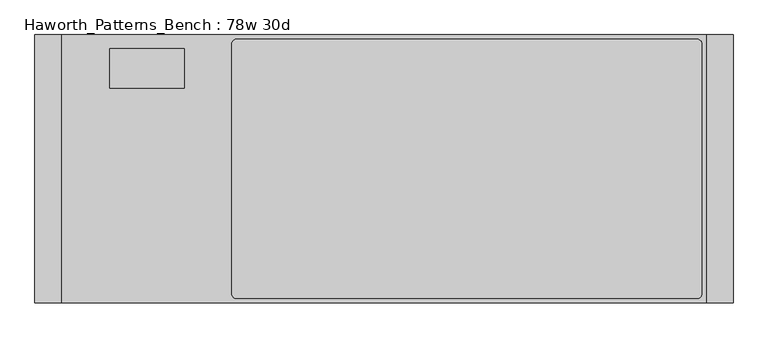
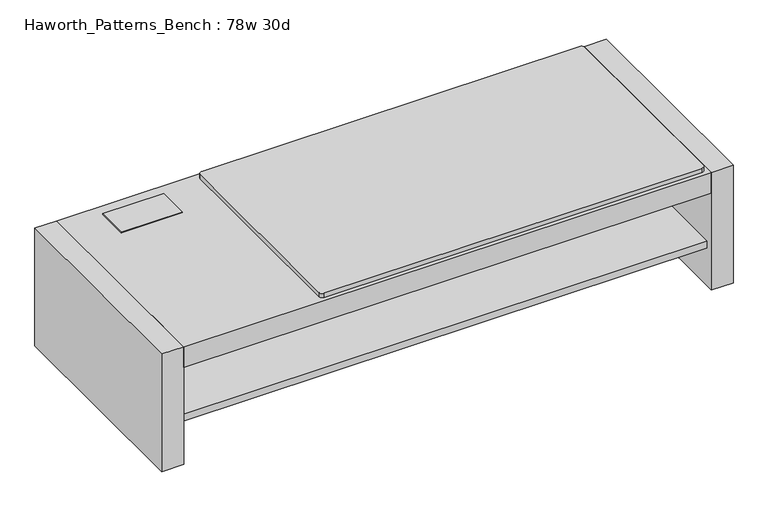
"""IFC4 building model written with IfcOpenShell, lengths in millimetres: furniture geometry, Haworth_Patterns_Bench : 78w 30d."""

import ifcopenshell
import ifcopenshell.guid

model = None  # the IFC model being written
_history = None  # IfcOwnerHistory: only IFC2X3 demands one
_inside = {}  # id of a spatial element -> (the spatial element, [elements in it])
_under = {}  # id of a project, library or spatial element -> (it, [spatial elements below it])
_declared = {}  # id of a project -> (the project, [libraries it declares])
_typed = {}  # id of a type object -> (the type object, [elements of that type])
_made_of = {}  # id of a material, layer set ... -> (it, [elements and type objects made of it])


def new_model(schema):
    """Start an empty IFC model of exactly this schema.

    Asked for "IFC4X3", IfcOpenShell would pick the latest addendum, in which some entities
    have other attributes; the version numbers below select the first issue.
    IFC2X3 requires an IfcOwnerHistory on every rooted entity: one is made here for all.
    """
    global model, _history
    if schema == "IFC4X3":
        model = ifcopenshell.file(schema_version=(4, 3, 0, 0))
    else:
        model = ifcopenshell.file(schema=schema)
    _inside.clear()
    _under.clear()
    _declared.clear()
    _typed.clear()
    _made_of.clear()
    _history = None
    if model.schema == "IFC2X3":
        org = make("IfcOrganization", Name="unknown")
        user = make(
            "IfcPersonAndOrganization",
            ThePerson=make("IfcPerson", FamilyName="unknown"),
            TheOrganization=org,
        )
        app = make(
            "IfcApplication",
            ApplicationDeveloper=org,
            Version="unknown",
            ApplicationFullName="unknown",
            ApplicationIdentifier="unknown",
        )
        _history = make(
            "IfcOwnerHistory",
            OwningUser=user,
            OwningApplication=app,
            ChangeAction="ADDED",
            CreationDate=0,
        )
    return model


def make(cls, **values):
    """One entity of the class cls with the attributes given. An attribute that is None is left unset."""
    return model.create_entity(
        cls, **{name: value for name, value in values.items() if value is not None}
    )


def rooted(cls, **values):
    """An entity with a GlobalId (a new one), such as an element, a storey or a relation."""
    return make(cls, GlobalId=ifcopenshell.guid.new(), OwnerHistory=_history, **values)


def si_unit(unit_type, name, prefix=None):
    """IfcSIUnit, for example si_unit("LENGTHUNIT", "METRE", prefix="MILLI")."""
    return make("IfcSIUnit", UnitType=unit_type, Prefix=prefix, Name=name)


def assignment(units):
    """IfcUnitAssignment: the units of a project."""
    return None if units is None else make("IfcUnitAssignment", Units=units)


def point(xyz):
    """IfcCartesianPoint."""
    return None if xyz is None else make("IfcCartesianPoint", Coordinates=xyz)


def direction(xyz):
    """IfcDirection."""
    return None if xyz is None else make("IfcDirection", DirectionRatios=xyz)


def frame(location, z_axis=None, x_axis=None):
    """IfcAxis2Placement3D, a coordinate frame: its origin and axes. An axis left out is left unset."""
    return make(
        "IfcAxis2Placement3D",
        Location=point(location),
        Axis=direction(z_axis),
        RefDirection=direction(x_axis),
    )


def frame_2d(location, x_axis=None):
    """IfcAxis2Placement2D, a coordinate frame in the plane: its origin and x axis."""
    return make(
        "IfcAxis2Placement2D", Location=point(location), RefDirection=direction(x_axis)
    )


def origin():
    """The frame at (0, 0, 0) with its axes left unset."""
    return frame((0.0, 0.0, 0.0))


def origin_with_axes():
    """The frame at (0, 0, 0) with the z axis (0, 0, 1) and the x axis (1, 0, 0) written out."""
    return frame((0.0, 0.0, 0.0), z_axis=(0.0, 0.0, 1.0), x_axis=(1.0, 0.0, 0.0))


def place(relative_to, where):
    """IfcLocalPlacement: puts the frame where relative to a parent placement (None: the world)."""
    return make(
        "IfcLocalPlacement", PlacementRelTo=relative_to, RelativePlacement=where
    )


def context(
    kind, dimensions, precision=None, world=None, true_north=None, identifier=None
):
    """IfcGeometricRepresentationContext, for example the 3D "Model" context."""
    return make(
        "IfcGeometricRepresentationContext",
        ContextIdentifier=identifier,
        ContextType=kind,
        CoordinateSpaceDimension=dimensions,
        Precision=precision,
        WorldCoordinateSystem=world,
        TrueNorth=true_north,
    )


def project(units=None, contexts=None):
    """IfcProject with its units and contexts."""
    return rooted(
        "IfcProject",
        Name="project",
        RepresentationContexts=contexts,
        UnitsInContext=assignment(units),
    )


def spatial(cls, under=None, at=None, **own):
    """A site, building, storey or space (cls), placed at a placement, below another one or the project."""
    s = rooted(cls, ObjectPlacement=at, **own)
    if under is not None:
        _under.setdefault(under.id(), (under, []))[1].append(s)
    return s


def polyline(points):
    """IfcPolyline through the points."""
    return make("IfcPolyline", Points=[point(p) for p in points])


def circle_curve(where, radius):
    """IfcCircle in the frame where."""
    return make("IfcCircle", Position=where, Radius=radius)


def trimmed(basis, trim1, trim2, sense, master):
    """IfcTrimmedCurve: the piece of a basis curve between two trims."""
    return make(
        "IfcTrimmedCurve",
        BasisCurve=basis,
        Trim1=trim1,
        Trim2=trim2,
        SenseAgreement=sense,
        MasterRepresentation=master,
    )


def segment(curve, same_sense, transition):
    """IfcCompositeCurveSegment."""
    return make(
        "IfcCompositeCurveSegment",
        Transition=transition,
        SameSense=same_sense,
        ParentCurve=curve,
    )


def composite_curve(segments, self_intersect=None):
    """IfcCompositeCurve: segments joined end to end."""
    return make("IfcCompositeCurve", Segments=segments, SelfIntersect=self_intersect)


def outline(outer, holes=None, kind="AREA"):
    """IfcArbitraryClosedProfileDef: a profile drawn as a closed curve; with holes, ...WithVoids."""
    if holes is None:
        return make("IfcArbitraryClosedProfileDef", ProfileType=kind, OuterCurve=outer)
    return make(
        "IfcArbitraryProfileDefWithVoids",
        ProfileType=kind,
        OuterCurve=outer,
        InnerCurves=holes,
    )


def extrude(swept, where, along, depth):
    """IfcExtrudedAreaSolid: the profile swept, set in the frame where, extruded along a direction by depth."""
    return make(
        "IfcExtrudedAreaSolid",
        SweptArea=swept,
        Position=where,
        ExtrudedDirection=direction(along),
        Depth=depth,
    )


def faces_of(points, faces, orient=None, outer=None):
    """IfcFace entities. A face is a list of loops; a loop is a list of indices into points, from 0.

    orient and outer hold one flag for each loop. By default every Orientation is true, the
    first loop of a face is its IfcFaceOuterBound and the others are IfcFaceBound.
    """
    made = []
    for i, loops in enumerate(faces):
        bounds = []
        for j, loop in enumerate(loops):
            is_outer = j == 0 if outer is None else outer[i][j]
            bounds.append(
                make(
                    "IfcFaceOuterBound" if is_outer else "IfcFaceBound",
                    Bound=make("IfcPolyLoop", Polygon=[points[k] for k in loop]),
                    Orientation=True if orient is None else orient[i][j],
                )
            )
        made.append(make("IfcFace", Bounds=bounds))
    return made


def faceted_brep(points, faces, orient=None, outer=None, voids=None):
    """IfcFacetedBrep: a solid bounded by flat faces; with voids (closed shells), ...WithVoids."""
    shared = [point(p) for p in points]
    hull = make("IfcClosedShell", CfsFaces=faces_of(shared, faces, orient, outer))
    if voids is None:
        return make("IfcFacetedBrep", Outer=hull)
    return make(
        "IfcFacetedBrepWithVoids",
        Outer=hull,
        Voids=[
            make(cls, CfsFaces=faces_of(shared, fs, o, b)) for cls, fs, o, b in voids
        ],
    )


def shape(context_of_items, identifier, shape_type, items):
    """IfcShapeRepresentation: the items that make up one representation, for example the "Body"."""
    return make(
        "IfcShapeRepresentation",
        ContextOfItems=context_of_items,
        RepresentationIdentifier=identifier,
        RepresentationType=shape_type,
        Items=items,
    )


def source(mapping_origin, context_of_items, identifier, shape_type, items):
    """IfcRepresentationMap: a shape defined once, which mapped items show again and again."""
    return make(
        "IfcRepresentationMap",
        MappingOrigin=mapping_origin,
        MappedRepresentation=shape(context_of_items, identifier, shape_type, items),
    )


def transform(
    local_origin,
    x_axis=None,
    y_axis=None,
    z_axis=None,
    scale=None,
    scale2=None,
    scale3=None,
    uniform=True,
):
    """IfcCartesianTransformationOperator3D, or its non-uniform kind. x_axis, y_axis, z_axis: its Axis1, 2, 3."""
    if uniform:
        return make(
            "IfcCartesianTransformationOperator3D",
            Axis1=direction(x_axis),
            Axis2=direction(y_axis),
            LocalOrigin=point(local_origin),
            Scale=scale,
            Axis3=direction(z_axis),
        )
    return make(
        "IfcCartesianTransformationOperator3DnonUniform",
        Axis1=direction(x_axis),
        Axis2=direction(y_axis),
        LocalOrigin=point(local_origin),
        Scale=scale,
        Axis3=direction(z_axis),
        Scale2=scale2,
        Scale3=scale3,
    )


def mapped(mapping_source, mapping_target):
    """IfcMappedItem: shows the shape of a source again, moved by a transform."""
    return make(
        "IfcMappedItem", MappingSource=mapping_source, MappingTarget=mapping_target
    )


def made_of(thing, what):
    """Note that an element or type object is made of a material, layer set ...; save() writes the relation."""
    if what is not None:
        _made_of.setdefault(what.id(), (what, []))[1].append(thing)
    return thing


def element(
    cls,
    number,
    at=None,
    inside=None,
    cuts=None,
    type_object=None,
    material=None,
    context=None,
    identifier="Body",
    shape_type=None,
    held_by="IfcProductDefinitionShape",
    body=None,
    shapes=None,
    **own,
):
    """One element of the class cls, such as IfcWall. Its Tag is "e" and its number.

    at: its placement. inside: the storey or other place that contains it. cuts: it is an
    opening in that element (IfcRelVoidsElement). A single representation is given by context,
    identifier, shape_type and body (its items); several are given by shapes. held_by: the class
    of the entity that holds the representations. save() writes the other relations.
    """
    e = rooted(cls, Tag="e%d" % number, ObjectPlacement=at, **own)
    if body is not None:
        shapes = [shape(context, identifier, shape_type, body)]
    if shapes is not None:
        e.Representation = make(held_by, Representations=shapes)
    if inside is not None:
        _inside.setdefault(inside.id(), (inside, []))[1].append(e)
    if cuts is not None:
        rooted(
            "IfcRelVoidsElement", RelatingBuildingElement=cuts, RelatedOpeningElement=e
        )
    if type_object is not None:
        _typed.setdefault(type_object.id(), (type_object, []))[1].append(e)
    return made_of(e, material)


def aggregate(whole, parts):
    """IfcRelAggregates: a whole, such as a stair, and the parts it consists of."""
    return rooted("IfcRelAggregates", RelatingObject=whole, RelatedObjects=parts)


def save(model, path):
    """Write the relations noted so far, then the file.

    IfcRelAggregates (storeys below a building ...), IfcRelContainedInSpatialStructure (elements
    in a storey), IfcRelDefinesByType, IfcRelAssociatesMaterial and IfcRelDeclares: one each for
    every whole, place, type object, material and project.
    """
    for whole, parts in _under.values():
        aggregate(whole, parts)
    for where, things in _inside.values():
        rooted(
            "IfcRelContainedInSpatialStructure",
            RelatedElements=things,
            RelatingStructure=where,
        )
    for kind, things in _typed.values():
        rooted("IfcRelDefinesByType", RelatedObjects=things, RelatingType=kind)
    for what, things in _made_of.values():
        rooted("IfcRelAssociatesMaterial", RelatedObjects=things, RelatingMaterial=what)
    for by, libraries in _declared.values():
        rooted("IfcRelDeclares", RelatingContext=by, RelatedDefinitions=libraries)
    model.write(path)


def haworth_patterns_bench_78w_30d_a646ddd4(model_context):
    return source(origin(), model_context, "Body", "SolidModel", [
        extrude(outline(composite_curve([segment(trimmed(circle_curve(frame_2d((889.0, -25.4)), 12.7), [point((889.0, -12.7))], [point((901.7, -25.4))], False, "CARTESIAN"), True, "CONTINUOUS"), segment(polyline([(901.7, -25.4), (901.7, -736.6)]), True, "CONTINUOUS"), segment(trimmed(circle_curve(frame_2d((889.0, -736.6)), 12.7), [point((901.7, -736.6))], [point((889.0, -749.3))], False, "CARTESIAN"), True, "CONTINUOUS"), segment(polyline([(889.0, -749.3), (-419.1, -749.3)]), True, "CONTINUOUS"), segment(trimmed(circle_curve(frame_2d((-419.1, -736.6)), 12.7), [point((-419.1, -749.3))], [point((-431.8, -736.6))], False, "CARTESIAN"), True, "CONTINUOUS"), segment(polyline([(-431.8, -736.6), (-431.8, -25.4)]), True, "CONTINUOUS"), segment(trimmed(circle_curve(frame_2d((-419.1, -25.4)), 12.7), [point((-431.8, -25.4))], [point((-419.1, -12.7))], False, "CARTESIAN"), True, "CONTINUOUS"), segment(polyline([(-419.1, -12.7), (889.0, -12.7)]), True, "CONTINUOUS")], self_intersect=False)), frame((0.0, 0.0, 431.8), z_axis=(0.0, 0.0, 1.0), x_axis=(1.0, 0.0, 0.0)), (0.0, 0.0, 1.0), 15.875),
        faceted_brep([(-567.53125, -39.6875, 434.975), (-778.66875, -39.6875, 434.975), (-778.66875, -150.8125, 434.975), (-567.53125, -150.8125, 434.975), (-567.53125, -39.6875, 431.8), (-567.53125, -150.8125, 431.8), (-778.66875, -150.8125, 431.8), (-778.66875, -39.6875, 431.8), (-570.70625, -44.45, 431.8), (-775.49375, -44.45, 431.8), (-775.49375, -146.05, 431.8), (-570.70625, -146.05, 431.8), (-570.70625, -44.45, 361.95), (-570.70625, -146.05, 361.95), (-775.49375, -146.05, 361.95), (-775.49375, -44.45, 361.95)], [[[0, 1, 2, 3]], [[4, 5, 6, 7], [8, 9, 10, 11]], [[1, 0, 4, 7]], [[2, 1, 7, 6]], [[3, 2, 6, 5]], [[0, 3, 5, 4]], [[12, 13, 14, 15]], [[12, 15, 9, 8]], [[15, 14, 10, 9]], [[14, 13, 11, 10]], [[13, 12, 8, 11]]]),
        extrude(outline(polyline([(914.4, 0.0), (914.4, -762.0), (-914.4, -762.0), (-914.4, 0.0), (914.4, 0.0)])), frame((0.0, 0.0, 355.6), z_axis=(0.0, 0.0, 1.0), x_axis=(1.0, 0.0, 0.0)), (0.0, 0.0, 1.0), 76.2),
        extrude(outline(polyline([(914.4, -25.4), (914.4, -736.6), (-914.4, -736.6), (-914.4, -25.4), (914.4, -25.4)])), frame((0.0, 0.0, 139.7), z_axis=(0.0, 0.0, 1.0), x_axis=(1.0, 0.0, 0.0)), (0.0, 0.0, 1.0), 25.4),
        extrude(outline(polyline([(914.4, -355.6), (914.4, -406.4), (-914.4, -406.4), (-914.4, -355.6), (914.4, -355.6)])), frame((0.0, 0.0, 165.1), z_axis=(0.0, 0.0, 1.0), x_axis=(1.0, 0.0, 0.0)), (0.0, 0.0, 1.0), 190.5),
        extrude(outline(polyline([(914.4, 0.0), (990.6, 0.0), (990.6, -762.0), (914.4, -762.0), (914.4, 0.0)])), origin_with_axes(), (0.0, 0.0, 1.0), 431.8),
        extrude(outline(polyline([(-914.4, 0.0), (-914.4, -762.0), (-990.6, -762.0), (-990.6, 0.0), (-914.4, 0.0)])), origin_with_axes(), (0.0, 0.0, 1.0), 431.8),
    ])


if __name__ == "__main__":
    model = new_model("IFC4")
    model_context = context("Model", 3, world=origin())
    ifc_project = project(units=[si_unit("LENGTHUNIT", "METRE", prefix="MILLI")], contexts=[model_context])
    site = spatial("IfcSite", under=ifc_project)
    building = spatial("IfcBuilding", under=site)
    placement = place(None, origin())
    haworth_patterns_bench_78w_30d_shape = haworth_patterns_bench_78w_30d_a646ddd4(model_context)
    element("IfcFurniture", 1, ObjectType="Haworth_Patterns_Bench : 78w 30d", at=placement, inside=building, context=model_context, shape_type="MappedRepresentation", body=[
        mapped(haworth_patterns_bench_78w_30d_shape, transform((0.0, 0.0, 0.0), x_axis=(1.0, 0.0, 0.0), y_axis=(0.0, 1.0, 0.0), z_axis=(0.0, 0.0, 1.0))),
    ])
    save(model, "model.ifc")
